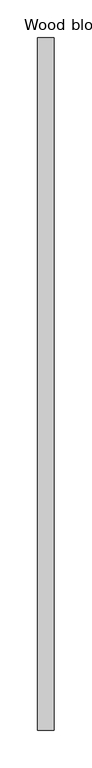
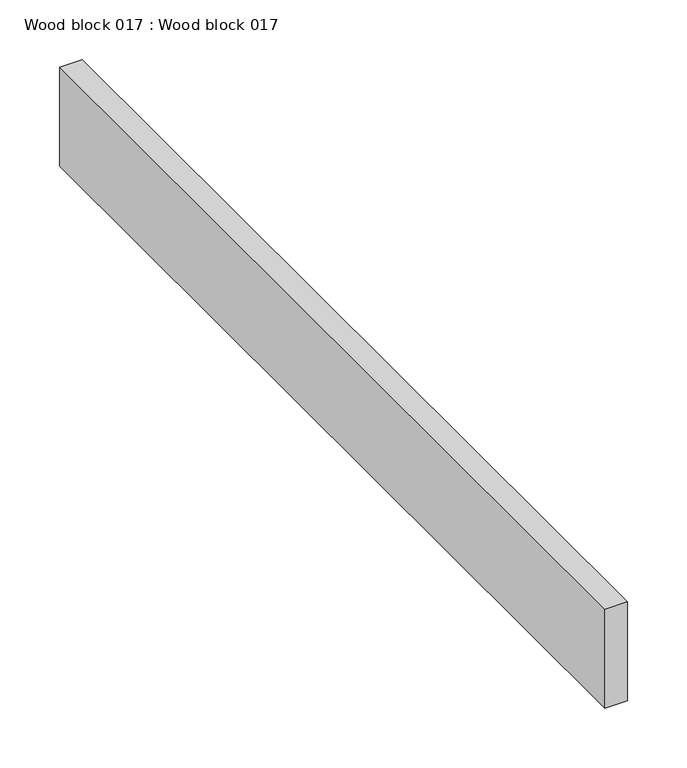
"""IFC4 building model written with IfcOpenShell, lengths in millimetres: proxy geometry, Wood block 017 : Wood block 017."""

from ifc_helpers import new_model, si_unit, frame, origin, place, context, project, spatial, polyline, outline, extrude, source, transform, mapped, element, save


def wood_block_017_wood_block_017_0d27a675(model_context):
    return source(origin(), model_context, "Body", "SweptSolid", [
        extrude(outline(polyline([(37205.8513666, -18662.4264268), (37227.7380854, -18662.4264268), (37227.7380854, -19576.8264268), (37205.8513666, -19576.8264268), (37205.8513666, -18662.4264268)])), frame((0.0, 0.0, 1117.4708984), z_axis=(0.0, 0.0, 1.0), x_axis=(1.0, 0.0, 0.0)), (0.0, 0.0, 1.0), 101.6645508),
    ])


if __name__ == "__main__":
    model = new_model("IFC4")
    model_context = context("Model", 3, world=origin())
    ifc_project = project(units=[si_unit("LENGTHUNIT", "METRE", prefix="MILLI")], contexts=[model_context])
    site = spatial("IfcSite", under=ifc_project)
    building = spatial("IfcBuilding", under=site)
    placement = place(None, origin())
    wood_block_017_wood_block_017_shape = wood_block_017_wood_block_017_0d27a675(model_context)
    element("IfcBuildingElementProxy", 1, Name="Wood block 017 : Wood block 017", ObjectType="Wood block 017 : Wood block 017", at=placement, inside=building, context=model_context, shape_type="MappedRepresentation", body=[
        mapped(wood_block_017_wood_block_017_shape, transform((0.0, 0.0, 0.0), x_axis=(1.0, 0.0, 0.0), y_axis=(0.0, 1.0, 0.0), z_axis=(0.0, 0.0, 1.0))),
    ])
    save(model, "model.ifc")
